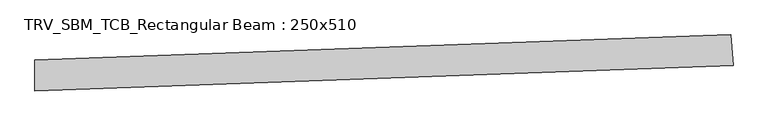
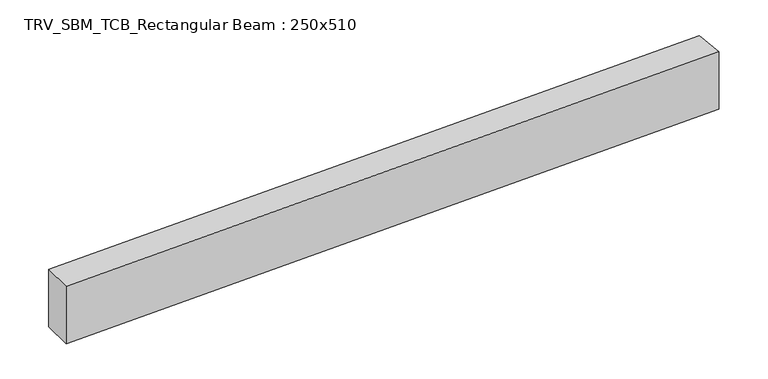
"""IFC4 building model written with IfcOpenShell, lengths in millimetres: beam geometry, TRV_SBM_TCB_Rectangular Beam : 250x510."""

import ifcopenshell
import ifcopenshell.guid

model = None  # the IFC model being written
_history = None  # IfcOwnerHistory: only IFC2X3 demands one
_inside = {}  # id of a spatial element -> (the spatial element, [elements in it])
_under = {}  # id of a project, library or spatial element -> (it, [spatial elements below it])
_declared = {}  # id of a project -> (the project, [libraries it declares])
_typed = {}  # id of a type object -> (the type object, [elements of that type])
_made_of = {}  # id of a material, layer set ... -> (it, [elements and type objects made of it])


def new_model(schema):
    """Start an empty IFC model of exactly this schema.

    Asked for "IFC4X3", IfcOpenShell would pick the latest addendum, in which some entities
    have other attributes; the version numbers below select the first issue.
    IFC2X3 requires an IfcOwnerHistory on every rooted entity: one is made here for all.
    """
    global model, _history
    if schema == "IFC4X3":
        model = ifcopenshell.file(schema_version=(4, 3, 0, 0))
    else:
        model = ifcopenshell.file(schema=schema)
    _inside.clear()
    _under.clear()
    _declared.clear()
    _typed.clear()
    _made_of.clear()
    _history = None
    if model.schema == "IFC2X3":
        org = make("IfcOrganization", Name="unknown")
        user = make(
            "IfcPersonAndOrganization",
            ThePerson=make("IfcPerson", FamilyName="unknown"),
            TheOrganization=org,
        )
        app = make(
            "IfcApplication",
            ApplicationDeveloper=org,
            Version="unknown",
            ApplicationFullName="unknown",
            ApplicationIdentifier="unknown",
        )
        _history = make(
            "IfcOwnerHistory",
            OwningUser=user,
            OwningApplication=app,
            ChangeAction="ADDED",
            CreationDate=0,
        )
    return model


def make(cls, **values):
    """One entity of the class cls with the attributes given. An attribute that is None is left unset."""
    return model.create_entity(
        cls, **{name: value for name, value in values.items() if value is not None}
    )


def rooted(cls, **values):
    """An entity with a GlobalId (a new one), such as an element, a storey or a relation."""
    return make(cls, GlobalId=ifcopenshell.guid.new(), OwnerHistory=_history, **values)


def si_unit(unit_type, name, prefix=None):
    """IfcSIUnit, for example si_unit("LENGTHUNIT", "METRE", prefix="MILLI")."""
    return make("IfcSIUnit", UnitType=unit_type, Prefix=prefix, Name=name)


def assignment(units):
    """IfcUnitAssignment: the units of a project."""
    return None if units is None else make("IfcUnitAssignment", Units=units)


def point(xyz):
    """IfcCartesianPoint."""
    return None if xyz is None else make("IfcCartesianPoint", Coordinates=xyz)


def direction(xyz):
    """IfcDirection."""
    return None if xyz is None else make("IfcDirection", DirectionRatios=xyz)


def frame(location, z_axis=None, x_axis=None):
    """IfcAxis2Placement3D, a coordinate frame: its origin and axes. An axis left out is left unset."""
    return make(
        "IfcAxis2Placement3D",
        Location=point(location),
        Axis=direction(z_axis),
        RefDirection=direction(x_axis),
    )


def frame_2d(location, x_axis=None):
    """IfcAxis2Placement2D, a coordinate frame in the plane: its origin and x axis."""
    return make(
        "IfcAxis2Placement2D", Location=point(location), RefDirection=direction(x_axis)
    )


def origin():
    """The frame at (0, 0, 0) with its axes left unset."""
    return frame((0.0, 0.0, 0.0))


def place(relative_to, where):
    """IfcLocalPlacement: puts the frame where relative to a parent placement (None: the world)."""
    return make(
        "IfcLocalPlacement", PlacementRelTo=relative_to, RelativePlacement=where
    )


def context(
    kind, dimensions, precision=None, world=None, true_north=None, identifier=None
):
    """IfcGeometricRepresentationContext, for example the 3D "Model" context."""
    return make(
        "IfcGeometricRepresentationContext",
        ContextIdentifier=identifier,
        ContextType=kind,
        CoordinateSpaceDimension=dimensions,
        Precision=precision,
        WorldCoordinateSystem=world,
        TrueNorth=true_north,
    )


def project(units=None, contexts=None):
    """IfcProject with its units and contexts."""
    return rooted(
        "IfcProject",
        Name="project",
        RepresentationContexts=contexts,
        UnitsInContext=assignment(units),
    )


def spatial(cls, under=None, at=None, **own):
    """A site, building, storey or space (cls), placed at a placement, below another one or the project."""
    s = rooted(cls, ObjectPlacement=at, **own)
    if under is not None:
        _under.setdefault(under.id(), (under, []))[1].append(s)
    return s


def polyline(points):
    """IfcPolyline through the points."""
    return make("IfcPolyline", Points=[point(p) for p in points])


def circle_curve(where, radius):
    """IfcCircle in the frame where."""
    return make("IfcCircle", Position=where, Radius=radius)


def trimmed(basis, trim1, trim2, sense, master):
    """IfcTrimmedCurve: the piece of a basis curve between two trims."""
    return make(
        "IfcTrimmedCurve",
        BasisCurve=basis,
        Trim1=trim1,
        Trim2=trim2,
        SenseAgreement=sense,
        MasterRepresentation=master,
    )


def segment(curve, same_sense, transition):
    """IfcCompositeCurveSegment."""
    return make(
        "IfcCompositeCurveSegment",
        Transition=transition,
        SameSense=same_sense,
        ParentCurve=curve,
    )


def composite_curve(segments, self_intersect=None):
    """IfcCompositeCurve: segments joined end to end."""
    return make("IfcCompositeCurve", Segments=segments, SelfIntersect=self_intersect)


def outline(outer, holes=None, kind="AREA"):
    """IfcArbitraryClosedProfileDef: a profile drawn as a closed curve; with holes, ...WithVoids."""
    if holes is None:
        return make("IfcArbitraryClosedProfileDef", ProfileType=kind, OuterCurve=outer)
    return make(
        "IfcArbitraryProfileDefWithVoids",
        ProfileType=kind,
        OuterCurve=outer,
        InnerCurves=holes,
    )


def extrude(swept, where, along, depth):
    """IfcExtrudedAreaSolid: the profile swept, set in the frame where, extruded along a direction by depth."""
    return make(
        "IfcExtrudedAreaSolid",
        SweptArea=swept,
        Position=where,
        ExtrudedDirection=direction(along),
        Depth=depth,
    )


def shape(context_of_items, identifier, shape_type, items):
    """IfcShapeRepresentation: the items that make up one representation, for example the "Body"."""
    return make(
        "IfcShapeRepresentation",
        ContextOfItems=context_of_items,
        RepresentationIdentifier=identifier,
        RepresentationType=shape_type,
        Items=items,
    )


def source(mapping_origin, context_of_items, identifier, shape_type, items):
    """IfcRepresentationMap: a shape defined once, which mapped items show again and again."""
    return make(
        "IfcRepresentationMap",
        MappingOrigin=mapping_origin,
        MappedRepresentation=shape(context_of_items, identifier, shape_type, items),
    )


def transform(
    local_origin,
    x_axis=None,
    y_axis=None,
    z_axis=None,
    scale=None,
    scale2=None,
    scale3=None,
    uniform=True,
):
    """IfcCartesianTransformationOperator3D, or its non-uniform kind. x_axis, y_axis, z_axis: its Axis1, 2, 3."""
    if uniform:
        return make(
            "IfcCartesianTransformationOperator3D",
            Axis1=direction(x_axis),
            Axis2=direction(y_axis),
            LocalOrigin=point(local_origin),
            Scale=scale,
            Axis3=direction(z_axis),
        )
    return make(
        "IfcCartesianTransformationOperator3DnonUniform",
        Axis1=direction(x_axis),
        Axis2=direction(y_axis),
        LocalOrigin=point(local_origin),
        Scale=scale,
        Axis3=direction(z_axis),
        Scale2=scale2,
        Scale3=scale3,
    )


def mapped(mapping_source, mapping_target):
    """IfcMappedItem: shows the shape of a source again, moved by a transform."""
    return make(
        "IfcMappedItem", MappingSource=mapping_source, MappingTarget=mapping_target
    )


def made_of(thing, what):
    """Note that an element or type object is made of a material, layer set ...; save() writes the relation."""
    if what is not None:
        _made_of.setdefault(what.id(), (what, []))[1].append(thing)
    return thing


def element(
    cls,
    number,
    at=None,
    inside=None,
    cuts=None,
    type_object=None,
    material=None,
    context=None,
    identifier="Body",
    shape_type=None,
    held_by="IfcProductDefinitionShape",
    body=None,
    shapes=None,
    **own,
):
    """One element of the class cls, such as IfcWall. Its Tag is "e" and its number.

    at: its placement. inside: the storey or other place that contains it. cuts: it is an
    opening in that element (IfcRelVoidsElement). A single representation is given by context,
    identifier, shape_type and body (its items); several are given by shapes. held_by: the class
    of the entity that holds the representations. save() writes the other relations.
    """
    e = rooted(cls, Tag="e%d" % number, ObjectPlacement=at, **own)
    if body is not None:
        shapes = [shape(context, identifier, shape_type, body)]
    if shapes is not None:
        e.Representation = make(held_by, Representations=shapes)
    if inside is not None:
        _inside.setdefault(inside.id(), (inside, []))[1].append(e)
    if cuts is not None:
        rooted(
            "IfcRelVoidsElement", RelatingBuildingElement=cuts, RelatedOpeningElement=e
        )
    if type_object is not None:
        _typed.setdefault(type_object.id(), (type_object, []))[1].append(e)
    return made_of(e, material)


def aggregate(whole, parts):
    """IfcRelAggregates: a whole, such as a stair, and the parts it consists of."""
    return rooted("IfcRelAggregates", RelatingObject=whole, RelatedObjects=parts)


def save(model, path):
    """Write the relations noted so far, then the file.

    IfcRelAggregates (storeys below a building ...), IfcRelContainedInSpatialStructure (elements
    in a storey), IfcRelDefinesByType, IfcRelAssociatesMaterial and IfcRelDeclares: one each for
    every whole, place, type object, material and project.
    """
    for whole, parts in _under.values():
        aggregate(whole, parts)
    for where, things in _inside.values():
        rooted(
            "IfcRelContainedInSpatialStructure",
            RelatedElements=things,
            RelatingStructure=where,
        )
    for kind, things in _typed.values():
        rooted("IfcRelDefinesByType", RelatedObjects=things, RelatingType=kind)
    for what, things in _made_of.values():
        rooted("IfcRelAssociatesMaterial", RelatedObjects=things, RelatingMaterial=what)
    for by, libraries in _declared.values():
        rooted("IfcRelDeclares", RelatingContext=by, RelatedDefinitions=libraries)
    model.write(path)


def trv_sbm_tcb_rectangular_beam_250x510_dfe3d64f(model_context):
    return source(origin(), model_context, "Body", "SweptSolid", [
        extrude(outline(composite_curve([segment(polyline([(5569.3414607, 328.2915919), (5587.5681299, 78.9569001)]), True, "CONTINUOUS"), segment(trimmed(circle_curve(frame_2d((0.0, 76515.0058188)), 76640.0058188), [point((5587.5681299, 78.9569001))], [point((-12.7223621, -124.998944))], False, "CARTESIAN"), True, "CONTINUOUS"), segment(polyline([(-12.7223621, -124.998944), (-12.6808617, 125.0010525)]), True, "CONTINUOUS"), segment(trimmed(circle_curve(frame_2d((0.0, 76515.0058188)), 76390.0058188), [point((-12.6808617, 125.0010525))], [point((5569.3414607, 328.2915919))], True, "CARTESIAN"), True, "CONTINUOUS")], self_intersect=False)), frame((0.0, 0.0, -255.0), z_axis=(0.0, 0.0, 1.0), x_axis=(1.0, 0.0, 0.0)), (0.0, 0.0, 1.0), 510.0),
    ])


if __name__ == "__main__":
    model = new_model("IFC4")
    model_context = context("Model", 3, world=origin())
    ifc_project = project(units=[si_unit("LENGTHUNIT", "METRE", prefix="MILLI")], contexts=[model_context])
    site = spatial("IfcSite", under=ifc_project)
    building = spatial("IfcBuilding", under=site)
    placement = place(None, origin())
    trv_sbm_tcb_rectangular_beam_250x510_shape = trv_sbm_tcb_rectangular_beam_250x510_dfe3d64f(model_context)
    element("IfcBeam", 1, ObjectType="TRV_SBM_TCB_Rectangular Beam : 250x510", at=placement, inside=building, context=model_context, shape_type="MappedRepresentation", body=[
        mapped(trv_sbm_tcb_rectangular_beam_250x510_shape, transform((0.0, 0.0, 0.0), x_axis=(1.0, 0.0, 0.0), y_axis=(0.0, 1.0, 0.0), z_axis=(0.0, 0.0, 1.0))),
    ])
    save(model, "model.ifc")
